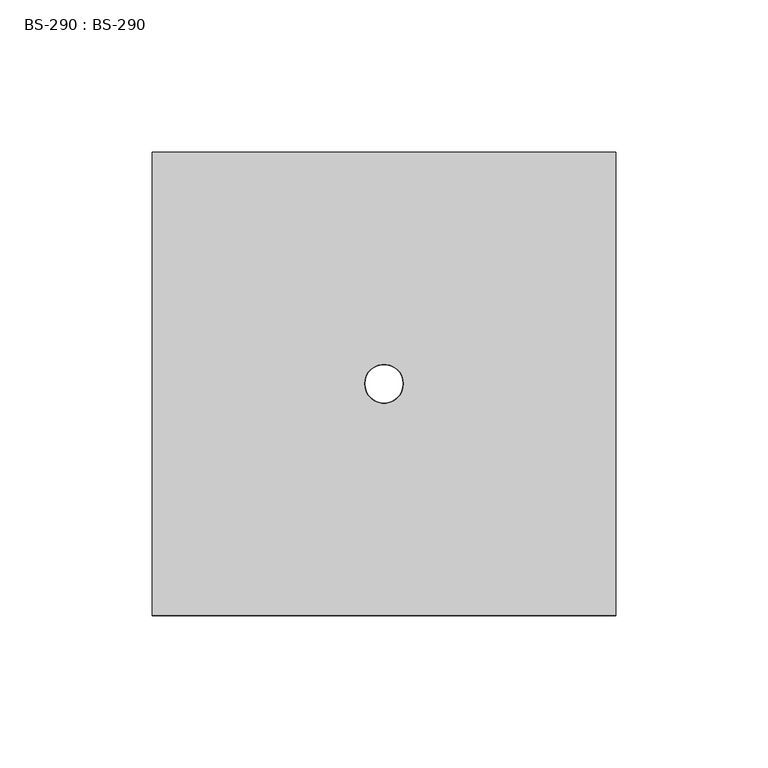
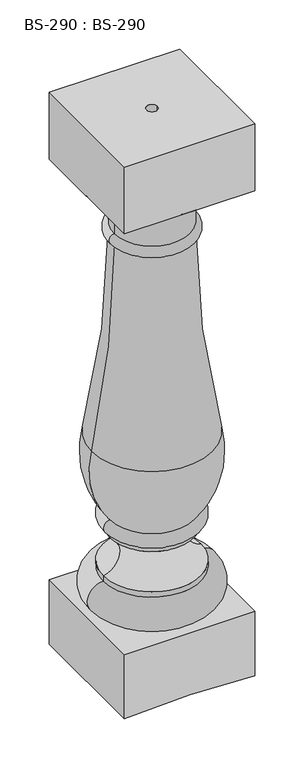
"""IFC4 building model written with IfcOpenShell, lengths in millimetres: proxy geometry, BS-290 : BS-290."""

from ifc_helpers import new_model, si_unit, point, frame, frame_2d, origin, place, context, project, spatial, polyline, circle_curve, ellipse_curve, trimmed, segment, composite_curve, outline, extrude, source, transform, mapped, element, save
from ifc_brep_helpers import plane_surface, cylinder_surface, revolved_surface, advanced_brep


def bs_290_bs_290_eccfc5e5(model_context):
    return source(origin(), model_context, "Body", "SolidModel", [
        advanced_brep(
        [(76.2, -76.144857, 79.375), (76.2, 76.1198292, 79.375), (-76.2, 76.1198292, 79.375), (-76.2, -76.144857, 79.375), (6.35, -0.0125139, 79.375), (-6.35, -0.0125139, 79.375), (76.2, -76.144857, 0.0), (76.2, 76.1198292, 0.0), (0.0, 76.1198292, 3.175), (-76.2, 76.1198292, 0.0), (-76.2, -76.144857, 0.0), (0.0, -76.144857, 3.175), (0.0, -6.3625139, 3.175), (6.35, -0.0125139, 2.9104167), (0.0, 6.3374861, 3.175), (-6.35, -0.0125139, 2.9104167)],
        [
            (0, 1),
            (1, 2),
            (2, 3),
            (3, 0),
            (4, 5, circle_curve(frame((0.0, -0.0125139, 79.375), z_axis=(0.0, 0.0, -1.0), x_axis=(1.0, 0.0, 0.0)), 6.35)),
            (5, 4, circle_curve(frame((0.0, -0.0125139, 79.375), z_axis=(0.0, 0.0, -1.0), x_axis=(1.0, 0.0, 0.0)), 6.35)),
            (0, 6),
            (6, 7),
            (7, 1),
            (7, 8),
            (8, 9),
            (9, 2),
            (9, 10),
            (10, 3),
            (10, 11),
            (11, 6),
            (11, 12),
            (12, 13, ellipse_curve(frame((0.0, -0.0125139, 3.175), z_axis=(0.0416305447121855, 0.0, 0.9991330730923518), x_axis=(-0.9991330730923519, 0.0, 0.041630544712184823)), 6.3555098, 6.35)),
            (13, 14, ellipse_curve(frame((0.0, -0.0125139, 3.175), z_axis=(0.0416305447121855, 0.0, 0.9991330730923518), x_axis=(-0.9991330730923519, 0.0, 0.041630544712184823)), 6.3555098, 6.35)),
            (14, 8),
            (14, 15, ellipse_curve(frame((0.0, -0.0125139, 3.175), z_axis=(-0.041630544712181194, 0.0, 0.999133073092352), x_axis=(0.999133073092352, 0.0, 0.041630544712178454)), 6.3555098, 6.35)),
            (15, 12, ellipse_curve(frame((0.0, -0.0125139, 3.175), z_axis=(-0.041630544712181194, 0.0, 0.999133073092352), x_axis=(0.999133073092352, 0.0, 0.041630544712178454)), 6.3555098, 6.35)),
            (15, 5),
            (4, 13),
        ],
        [
            plane_surface(frame((76.2, -104.1435211, 79.375), z_axis=(0.0, 0.0, 1.0), x_axis=(0.0, 1.0, 0.0))),
            plane_surface(frame((76.2, -76.144857, 79.375), z_axis=(1.0, 0.0, 0.0), x_axis=(0.0, 0.0, -1.0))),
            plane_surface(frame((76.2, 76.1198292, 79.375), z_axis=(0.0, 1.0, 0.0), x_axis=(0.0, 0.0, -1.0))),
            plane_surface(frame((-76.2, 76.1198292, 79.375), z_axis=(-1.0, 0.0, 0.0), x_axis=(0.0, 0.0, -1.0))),
            plane_surface(frame((-76.2, -76.144857, 79.375), z_axis=(0.0, -1.0, 0.0), x_axis=(0.0, 0.0, -1.0))),
            plane_surface(frame((76.2, -76.144857, 0.0), z_axis=(-0.0416305447121855, 0.0, -0.9991330730923518), x_axis=(0.0, 1.0, 0.0))),
            plane_surface(frame((0.0, -76.144857, 3.175), z_axis=(0.041630544712181194, 0.0, -0.999133073092352), x_axis=(0.0, 1.0, 0.0))),
            revolved_surface(polyline([(6.35, -0.0125139, 79.375), (6.35, -0.0125139, 2.910416665102371)]), (0.0, -0.0125139, 0.0), (0.0, 0.0, 1.0)),
        ],
        [
            (0, [[1, 2, 3, 4], [5, 6]]),
            (1, [[-1, 7, 8, 9]]),
            (2, [[-2, -9, 10, 11, 12]]),
            (3, [[-3, -12, 13, 14]]),
            (4, [[-4, -14, 15, 16, -7]]),
            (5, [[-8, -16, 17, 18, 19, 20, -10]]),
            (6, [[-11, -20, 21, 22, -17, -15, -13]]),
            (7, [[23, -5, 24, -18, -22]]),
            (7, [[-23, -21, -19, -24, -6]]),
        ],
    ),
        advanced_brep(
        [(-57.0931229, 0.0, 123.825), (57.0931229, 0.0, 123.825), (57.0931229, 0.0, 117.475), (-57.0931229, 0.0, 117.475), (-49.1556229, 0.0, 168.275), (49.1556229, 0.0, 168.275), (-49.1556229, 0.0, 174.625), (49.1556229, 0.0, 174.625), (-49.1556229, 0.0, 190.5), (49.1556229, 0.0, 190.5), (-71.2917785, 0.0, 282.8485363), (71.2917785, 0.0, 282.8485363), (-44.3931229, 0.0, 530.225), (44.3931229, 0.0, 530.225), (-44.3931229, 0.0, 542.925), (44.3931229, 0.0, 542.925), (-44.3931229, 0.0, 587.375), (44.3931229, 0.0, 587.375), (-76.1431229, 0.0, 600.075), (76.1431229, 0.0, 600.075), (-6.3499877, 0.0, 600.075), (6.3499877, 0.0, 600.075), (-57.0931229, 0.0, 79.375), (57.0931229, 0.0, 79.375), (6.3499877, 0.0, 79.375), (-6.3499877, 0.0, 79.375)],
        [
            (0, 1, circle_curve(frame((0.0, 0.0, 123.825), z_axis=(0.0, 0.0, -1.0), x_axis=(1.0, 0.0, 0.0)), 57.0931229)),
            (1, 2),
            (2, 3, circle_curve(frame((0.0, 0.0, 117.475), z_axis=(0.0, 0.0, 1.0), x_axis=(1.0, 0.0, 0.0)), 57.0931229)),
            (3, 0),
            (1, 0, circle_curve(frame((0.0, 0.0, 123.825), z_axis=(0.0, 0.0, -1.0), x_axis=(1.0, 0.0, 0.0)), 57.0931229)),
            (3, 2, circle_curve(frame((0.0, 0.0, 117.475), z_axis=(0.0, 0.0, 1.0), x_axis=(1.0, 0.0, 0.0)), 57.0931229)),
            (0, 4, circle_curve(frame((-62.4822676, 0.0, 147.7210526), z_axis=(0.0, -1.0, 0.0), x_axis=(-1.0, 0.0, 0.0)), 24.4962081)),
            (4, 5, circle_curve(frame((0.0, 0.0, 168.275), z_axis=(0.0, 0.0, -1.0), x_axis=(1.0, 0.0, 0.0)), 49.1556229)),
            (5, 1, circle_curve(frame((62.4822676, 0.0, 147.7210526), z_axis=(0.0, -1.0, 0.0), x_axis=(1.0, 0.0, 0.0)), 24.4962081)),
            (5, 4, circle_curve(frame((0.0, 0.0, 168.275), z_axis=(0.0, 0.0, -1.0), x_axis=(1.0, 0.0, 0.0)), 49.1556229)),
            (4, 6),
            (6, 7, circle_curve(frame((0.0, 0.0, 174.625), z_axis=(0.0, 0.0, -1.0), x_axis=(1.0, 0.0, 0.0)), 49.1556229)),
            (7, 5),
            (7, 6, circle_curve(frame((0.0, 0.0, 174.625), z_axis=(0.0, 0.0, -1.0), x_axis=(1.0, 0.0, 0.0)), 49.1556229)),
            (6, 8, circle_curve(frame((-49.1556229, 0.0, 182.5625), z_axis=(0.0, 1.0, 0.0), x_axis=(-1.0, 0.0, 0.0)), 7.9375)),
            (8, 9, circle_curve(frame((0.0, 0.0, 190.5), z_axis=(0.0, 0.0, -1.0), x_axis=(1.0, 0.0, 0.0)), 49.1556229)),
            (9, 7, circle_curve(frame((49.1556229, 0.0, 182.5625), z_axis=(0.0, 1.0, 0.0), x_axis=(1.0, 0.0, 0.0)), 7.9375)),
            (9, 8, circle_curve(frame((0.0, 0.0, 190.5), z_axis=(0.0, 0.0, -1.0), x_axis=(1.0, 0.0, 0.0)), 49.1556229)),
            (8, 10, circle_curve(frame((34.9063254, 0.0, 259.4771532), z_axis=(0.0, 1.0, 0.0), x_axis=(-1.0, 0.0, 0.0)), 108.7394078)),
            (10, 11, circle_curve(frame((0.0, 0.0, 282.8485363), z_axis=(0.0, 0.0, -1.0), x_axis=(1.0, 0.0, 0.0)), 71.2917785)),
            (11, 9, circle_curve(frame((-34.9063254, 0.0, 259.4771532), z_axis=(0.0, 1.0, 0.0), x_axis=(1.0, 0.0, 0.0)), 108.7394078)),
            (11, 10, circle_curve(frame((0.0, 0.0, 282.8485363), z_axis=(0.0, 0.0, -1.0), x_axis=(1.0, 0.0, 0.0)), 71.2917785)),
            (10, 12, circle_curve(frame((-1195.3549672, 0.0, 530.225), z_axis=(0.0, -1.0, 0.0), x_axis=(-1.0, 0.0, 0.0)), 1150.9618443)),
            (12, 13, circle_curve(frame((0.0, 0.0, 530.225), z_axis=(0.0, 0.0, -1.0), x_axis=(1.0, 0.0, 0.0)), 44.3931229)),
            (13, 11, circle_curve(frame((1195.3549672, 0.0, 530.225), z_axis=(0.0, -1.0, 0.0), x_axis=(1.0, 0.0, 0.0)), 1150.9618443)),
            (13, 12, circle_curve(frame((0.0, 0.0, 530.225), z_axis=(0.0, 0.0, -1.0), x_axis=(1.0, 0.0, 0.0)), 44.3931229)),
            (12, 14, circle_curve(frame((-44.3931229, 0.0, 536.575), z_axis=(0.0, 1.0, 0.0), x_axis=(-1.0, 0.0, 0.0)), 6.35)),
            (14, 15, circle_curve(frame((0.0, 0.0, 542.925), z_axis=(0.0, 0.0, -1.0), x_axis=(1.0, 0.0, 0.0)), 44.3931229)),
            (15, 13, circle_curve(frame((44.3931229, 0.0, 536.575), z_axis=(0.0, 1.0, 0.0), x_axis=(1.0, 0.0, 0.0)), 6.35)),
            (15, 14, circle_curve(frame((0.0, 0.0, 542.925), z_axis=(0.0, 0.0, -1.0), x_axis=(1.0, 0.0, 0.0)), 44.3931229)),
            (14, 16),
            (16, 17, circle_curve(frame((0.0, 0.0, 587.375), z_axis=(0.0, 0.0, -1.0), x_axis=(1.0, 0.0, 0.0)), 44.3931229)),
            (17, 15),
            (17, 16, circle_curve(frame((0.0, 0.0, 587.375), z_axis=(0.0, 0.0, -1.0), x_axis=(1.0, 0.0, 0.0)), 44.3931229)),
            (16, 18, circle_curve(frame((-44.3931229, 0.0, 633.4125), z_axis=(0.0, 1.0, 0.0), x_axis=(-1.0, 0.0, 0.0)), 46.0375)),
            (18, 19, circle_curve(frame((0.0, 0.0, 600.075), z_axis=(0.0, 0.0, -1.0), x_axis=(1.0, 0.0, 0.0)), 76.1431229)),
            (19, 17, circle_curve(frame((44.3931229, 0.0, 633.4125), z_axis=(0.0, 1.0, 0.0), x_axis=(1.0, 0.0, 0.0)), 46.0375)),
            (19, 18, circle_curve(frame((0.0, 0.0, 600.075), z_axis=(0.0, 0.0, -1.0), x_axis=(1.0, 0.0, 0.0)), 76.1431229)),
            (18, 20),
            (20, 21, circle_curve(frame((0.0, -0.0125139, 600.075), z_axis=(0.0, 0.0, -1.0), x_axis=(1.0, 0.0, 0.0)), 6.35)),
            (21, 19),
            (21, 20, circle_curve(frame((0.0, -0.0125139, 600.075), z_axis=(0.0, 0.0, -1.0), x_axis=(1.0, 0.0, 0.0)), 6.35)),
            (22, 23, circle_curve(frame((0.0, 0.0, 79.375), z_axis=(0.0, 0.0, -1.0), x_axis=(1.0, 0.0, 0.0)), 57.0931229)),
            (23, 24),
            (24, 25, circle_curve(frame((0.0, -0.0125139, 79.375), z_axis=(0.0, 0.0, 1.0), x_axis=(1.0, 0.0, 0.0)), 6.35)),
            (25, 22),
            (23, 22, circle_curve(frame((0.0, 0.0, 79.375), z_axis=(0.0, 0.0, -1.0), x_axis=(1.0, 0.0, 0.0)), 57.0931229)),
            (25, 24, circle_curve(frame((0.0, -0.0125139, 79.375), z_axis=(0.0, 0.0, 1.0), x_axis=(1.0, 0.0, 0.0)), 6.35)),
            (2, 23, circle_curve(frame((57.0931229, 0.0, 98.425), z_axis=(0.0, 1.0, 0.0), x_axis=(1.0, 0.0, 0.0)), 19.05)),
            (22, 3, circle_curve(frame((-57.0931229, 0.0, 98.425), z_axis=(0.0, 1.0, 0.0), x_axis=(-1.0, 0.0, 0.0)), 19.05)),
            (21, 24),
            (25, 20),
        ],
        [
            cylinder_surface(frame((0.0, 0.0, 600.075), z_axis=(0.0, 0.0, 1.0), x_axis=(1.0, 0.0, 0.0)), 57.0931229),
            revolved_surface(trimmed(ellipse_curve(frame((62.4822676, 0.0, 147.7210526), z_axis=(0.0, 1.0, 0.0), x_axis=(1.0, 0.0, 0.0)), 24.4962081, 24.4962081), [point((57.0931229, 0.0, 123.825))], [point((49.1556229, 0.0, 168.275))], True, "CARTESIAN"), (0.0, 0.0, 600.075), (0.0, 0.0, 1.0)),
            cylinder_surface(frame((0.0, 0.0, 600.075), z_axis=(0.0, 0.0, 1.0), x_axis=(1.0, 0.0, 0.0)), 49.1556229),
            revolved_surface(trimmed(ellipse_curve(frame((49.1556229, 0.0, 182.5625), z_axis=(0.0, -1.0, 0.0), x_axis=(1.0, 0.0, 0.0)), 7.9375, 7.9375), [point((49.1556229, 0.0, 174.625))], [point((49.1556229, 0.0, 190.5))], True, "CARTESIAN"), (0.0, 0.0, 600.075), (0.0, 0.0, 1.0)),
            revolved_surface(trimmed(ellipse_curve(frame((-34.9063254, 0.0, 259.4771532), z_axis=(0.0, -1.0, 0.0), x_axis=(1.0, 0.0, 0.0)), 108.7394078, 108.7394078), [point((49.1556229, 0.0, 190.5))], [point((71.2917785, 0.0, 282.8485363))], True, "CARTESIAN"), (0.0, 0.0, 600.075), (0.0, 0.0, 1.0)),
            revolved_surface(trimmed(ellipse_curve(frame((1195.3549672, 0.0, 530.225), z_axis=(0.0, 1.0, 0.0), x_axis=(1.0, 0.0, 0.0)), 1150.9618443, 1150.9618443), [point((71.2917785, 0.0, 282.8485363))], [point((44.3931229, 0.0, 530.225))], True, "CARTESIAN"), (0.0, 0.0, 600.075), (0.0, 0.0, 1.0)),
            revolved_surface(trimmed(ellipse_curve(frame((44.3931229, 0.0, 536.575), z_axis=(0.0, -1.0, 0.0), x_axis=(1.0, 0.0, 0.0)), 6.35, 6.35), [point((44.3931229, 0.0, 530.225))], [point((44.3931229, 0.0, 542.925))], True, "CARTESIAN"), (0.0, 0.0, 600.075), (0.0, 0.0, 1.0)),
            cylinder_surface(frame((0.0, 0.0, 600.075), z_axis=(0.0, 0.0, 1.0), x_axis=(1.0, 0.0, 0.0)), 44.3931229),
            revolved_surface(trimmed(ellipse_curve(frame((44.3931229, 0.0, 633.4125), z_axis=(0.0, -1.0, 0.0), x_axis=(1.0, 0.0, 0.0)), 46.0375, 46.0375), [point((44.3931229, 0.0, 587.375))], [point((76.1431229, 0.0, 600.075))], True, "CARTESIAN"), (0.0, 0.0, 600.075), (0.0, 0.0, 1.0)),
            plane_surface(frame((0.0, 0.0, 600.075), z_axis=(0.0, 0.0, 1.0), x_axis=(1.0, 0.0, 0.0))),
            plane_surface(frame((0.0, 0.0, 79.375), z_axis=(0.0, 0.0, -1.0), x_axis=(1.0, 0.0, 0.0))),
            revolved_surface(trimmed(ellipse_curve(frame((57.0931229, 0.0, 98.425), z_axis=(0.0, -1.0, 0.0), x_axis=(1.0, 0.0, 0.0)), 19.05, 19.05), [point((57.0931229, 0.0, 79.375))], [point((57.0931229, 0.0, 117.475))], True, "CARTESIAN"), (0.0, 0.0, 600.075), (0.0, 0.0, 1.0)),
            revolved_surface(polyline([(6.35, -0.0125139, 600.075), (6.35, -0.0125139, 79.375)]), (0.0, -0.0125139, 0.0), (0.0, 0.0, 1.0)),
        ],
        [
            (0, [[1, 2, 3, 4]]),
            (0, [[-2, 5, -4, 6]]),
            (1, [[-1, 7, 8, 9]]),
            (1, [[-5, -9, 10, -7]]),
            (2, [[-8, 11, 12, 13]]),
            (2, [[-10, -13, 14, -11]]),
            (3, [[-12, 15, 16, 17]]),
            (3, [[-14, -17, 18, -15]]),
            (4, [[-16, 19, 20, 21]]),
            (4, [[-18, -21, 22, -19]]),
            (5, [[-20, 23, 24, 25]]),
            (5, [[-22, -25, 26, -23]]),
            (6, [[-24, 27, 28, 29]]),
            (6, [[-26, -29, 30, -27]]),
            (7, [[-28, 31, 32, 33]]),
            (7, [[-30, -33, 34, -31]]),
            (8, [[-32, 35, 36, 37]]),
            (8, [[-34, -37, 38, -35]]),
            (9, [[-36, 39, 40, 41]]),
            (9, [[-38, -41, 42, -39]]),
            (10, [[43, 44, 45, 46]]),
            (10, [[47, -46, 48, -44]]),
            (11, [[-3, 49, -43, 50]]),
            (11, [[-6, -50, -47, -49]]),
            (12, [[51, -48, 52, -42]]),
            (12, [[-51, -40, -52, -45]]),
        ],
    ),
        extrude(outline(polyline([(76.2, -76.144857), (-76.2, -76.144857), (-76.2, 76.1198292), (76.2, 76.1198292), (76.2, -76.144857)]), holes=[composite_curve([segment(trimmed(circle_curve(frame_2d((0.0, -0.0125139)), 6.35), [point((-6.35, -0.0125139))], [point((6.35, -0.0125139))], True, "CARTESIAN"), True, "CONTINUOUS"), segment(trimmed(circle_curve(frame_2d((0.0, -0.0125139)), 6.35), [point((6.35, -0.0125139))], [point((-6.35, -0.0125139))], True, "CARTESIAN"), True, "CONTINUOUS")], self_intersect=False)]), frame((0.0, 0.0, 600.075), z_axis=(0.0, 0.0, 1.0), x_axis=(1.0, 0.0, 0.0)), (0.0, 0.0, 1.0), 82.55),
    ])


if __name__ == "__main__":
    model = new_model("IFC4")
    model_context = context("Model", 3, world=origin())
    ifc_project = project(units=[si_unit("LENGTHUNIT", "METRE", prefix="MILLI")], contexts=[model_context])
    site = spatial("IfcSite", under=ifc_project)
    building = spatial("IfcBuilding", under=site)
    placement = place(None, origin())
    bs_290_bs_290_shape = bs_290_bs_290_eccfc5e5(model_context)
    element("IfcBuildingElementProxy", 1, Name="BS-290 : BS-290", ObjectType="BS-290 : BS-290", at=placement, inside=building, context=model_context, shape_type="MappedRepresentation", body=[
        mapped(bs_290_bs_290_shape, transform((0.0, 0.0, 0.0), x_axis=(1.0, 0.0, 0.0), y_axis=(0.0, 1.0, 0.0), z_axis=(0.0, 0.0, 1.0))),
    ])
    save(model, "model.ifc")
